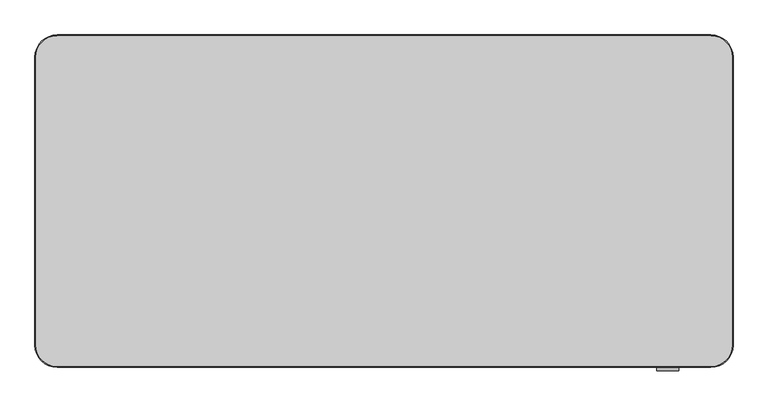
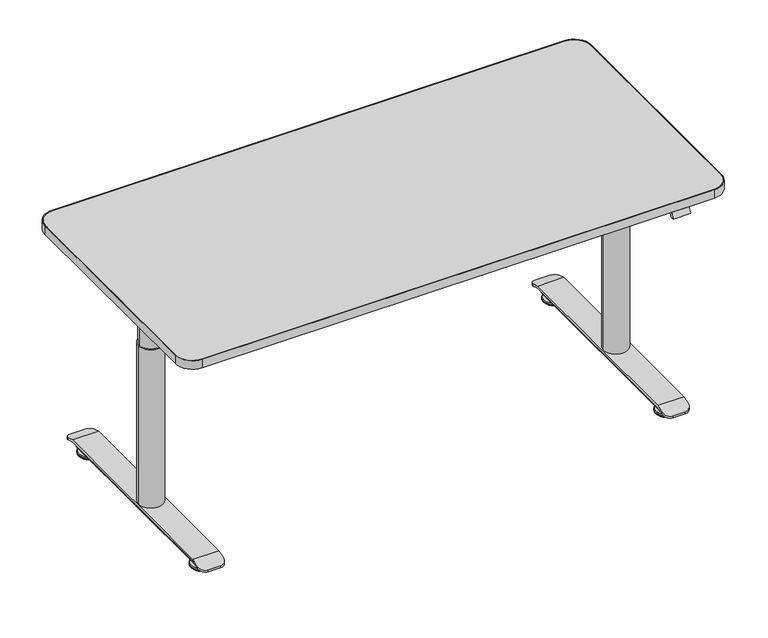
"""IFC4 building model written with IfcOpenShell, lengths in millimetres: furniture geometry."""

from ifc_helpers import new_model, si_unit, point, frame, frame_2d, origin, place, context, project, spatial, polyline, circle_curve, ellipse_curve, trimmed, segment, composite_curve, outline, extrude, source, transform, mapped, element, save
from ifc_brep_helpers import plane_surface, cylinder_surface, revolved_surface, advanced_brep


def furniture_87ef9b9a(model_context):
    return source(origin(), model_context, "Body", "SolidModel", [
        extrude(outline(composite_curve([segment(polyline([(62.5, -50.0), (1537.5, -50.0)]), True, "CONTINUOUS"), segment(trimmed(circle_curve(frame_2d((1537.5, -100.0)), 50.0), [point((1537.5, -50.0))], [point((1587.5, -100.0))], False, "CARTESIAN"), True, "CONTINUOUS"), segment(polyline([(1587.5, -100.0), (1587.5, -750.0)]), True, "CONTINUOUS"), segment(trimmed(circle_curve(frame_2d((1537.5, -750.0)), 50.0), [point((1587.5, -750.0))], [point((1537.5, -800.0))], False, "CARTESIAN"), True, "CONTINUOUS"), segment(polyline([(1537.5, -800.0), (62.5, -800.0)]), True, "CONTINUOUS"), segment(trimmed(circle_curve(frame_2d((62.5, -750.0)), 50.0), [point((62.5, -800.0))], [point((12.5, -750.0))], False, "CARTESIAN"), True, "CONTINUOUS"), segment(polyline([(12.5, -750.0), (12.5, -100.0)]), True, "CONTINUOUS"), segment(trimmed(circle_curve(frame_2d((62.5, -100.0)), 50.0), [point((12.5, -100.0))], [point((62.5, -50.0))], False, "CARTESIAN"), True, "CONTINUOUS")], self_intersect=False), holes=[composite_curve([segment(trimmed(circle_curve(frame_2d((62.5, -100.0)), 48.0), [point((62.5, -52.0))], [point((14.5, -100.0))], True, "CARTESIAN"), True, "CONTINUOUS"), segment(polyline([(14.5, -100.0), (14.5, -750.0)]), True, "CONTINUOUS"), segment(trimmed(circle_curve(frame_2d((62.5, -750.0)), 48.0), [point((14.5, -750.0))], [point((62.5, -798.0))], True, "CARTESIAN"), True, "CONTINUOUS"), segment(polyline([(62.5, -798.0), (1537.5, -798.0)]), True, "CONTINUOUS"), segment(trimmed(circle_curve(frame_2d((1537.5, -750.0)), 48.0), [point((1537.5, -798.0))], [point((1585.5, -750.0))], True, "CARTESIAN"), True, "CONTINUOUS"), segment(polyline([(1585.5, -750.0), (1585.5, -100.0)]), True, "CONTINUOUS"), segment(trimmed(circle_curve(frame_2d((1537.5, -100.0)), 48.0), [point((1585.5, -100.0))], [point((1537.5, -52.0))], True, "CARTESIAN"), True, "CONTINUOUS"), segment(polyline([(1537.5, -52.0), (62.5, -52.0)]), True, "CONTINUOUS")], self_intersect=False)]), frame((0.0, 0.0, 695.0), z_axis=(0.0, 0.0, 1.0), x_axis=(1.0, 0.0, 0.0)), (0.0, 0.0, 1.0), 25.5),
        extrude(outline(composite_curve([segment(polyline([(62.5, -52.0), (1537.5, -52.0)]), True, "CONTINUOUS"), segment(trimmed(circle_curve(frame_2d((1537.5, -100.0)), 48.0), [point((1537.5, -52.0))], [point((1585.5, -100.0))], False, "CARTESIAN"), True, "CONTINUOUS"), segment(polyline([(1585.5, -100.0), (1585.5, -750.0)]), True, "CONTINUOUS"), segment(trimmed(circle_curve(frame_2d((1537.5, -750.0)), 48.0), [point((1585.5, -750.0))], [point((1537.5, -798.0))], False, "CARTESIAN"), True, "CONTINUOUS"), segment(polyline([(1537.5, -798.0), (62.5, -798.0)]), True, "CONTINUOUS"), segment(trimmed(circle_curve(frame_2d((62.5, -750.0)), 48.0), [point((62.5, -798.0))], [point((14.5, -750.0))], False, "CARTESIAN"), True, "CONTINUOUS"), segment(polyline([(14.5, -750.0), (14.5, -100.0)]), True, "CONTINUOUS"), segment(trimmed(circle_curve(frame_2d((62.5, -100.0)), 48.0), [point((14.5, -100.0))], [point((62.5, -52.0))], False, "CARTESIAN"), True, "CONTINUOUS")], self_intersect=False)), frame((0.0, 0.0, 695.0), z_axis=(0.0, 0.0, 1.0), x_axis=(1.0, 0.0, 0.0)), (0.0, 0.0, 1.0), 25.0),
        extrude(outline(composite_curve([segment(trimmed(circle_curve(frame_2d((130.0, -425.0)), 28.0), [point((102.0, -425.0))], [point((158.0, -425.0))], False, "CARTESIAN"), True, "CONTINUOUS"), segment(trimmed(circle_curve(frame_2d((130.0, -425.0)), 28.0), [point((158.0, -425.0))], [point((102.0, -425.0))], False, "CARTESIAN"), True, "CONTINUOUS")], self_intersect=False)), frame((0.0, 0.0, 580.0), z_axis=(0.0, 0.0, 1.0), x_axis=(1.0, 0.0, 0.0)), (0.0, 0.0, 1.0), 57.0),
        extrude(outline(composite_curve([segment(trimmed(circle_curve(frame_2d((1470.0, -425.0)), 28.0), [point((1442.0, -425.0))], [point((1498.0, -425.0))], False, "CARTESIAN"), True, "CONTINUOUS"), segment(trimmed(circle_curve(frame_2d((1470.0, -425.0)), 28.0), [point((1498.0, -425.0))], [point((1442.0, -425.0))], False, "CARTESIAN"), True, "CONTINUOUS")], self_intersect=False)), frame((0.0, 0.0, 580.0), z_axis=(0.0, 0.0, 1.0), x_axis=(1.0, 0.0, 0.0)), (0.0, 0.0, 1.0), 57.0),
        extrude(outline(composite_curve([segment(trimmed(circle_curve(frame_2d((130.0, -425.0)), 32.0), [point((98.0, -425.0))], [point((162.0, -425.0))], False, "CARTESIAN"), True, "CONTINUOUS"), segment(trimmed(circle_curve(frame_2d((130.0, -425.0)), 32.0), [point((162.0, -425.0))], [point((98.0, -425.0))], False, "CARTESIAN"), True, "CONTINUOUS")], self_intersect=False)), frame((0.0, 0.0, 523.0), z_axis=(0.0, 0.0, 1.0), x_axis=(1.0, 0.0, 0.0)), (0.0, 0.0, 1.0), 57.0),
        extrude(outline(composite_curve([segment(trimmed(circle_curve(frame_2d((1470.0, -425.0)), 32.0), [point((1438.0, -425.0))], [point((1502.0, -425.0))], False, "CARTESIAN"), True, "CONTINUOUS"), segment(trimmed(circle_curve(frame_2d((1470.0, -425.0)), 32.0), [point((1502.0, -425.0))], [point((1438.0, -425.0))], False, "CARTESIAN"), True, "CONTINUOUS")], self_intersect=False)), frame((0.0, 0.0, 523.0), z_axis=(0.0, 0.0, 1.0), x_axis=(1.0, 0.0, 0.0)), (0.0, 0.0, 1.0), 57.0),
        extrude(outline(polyline([(-800.0, 695.0), (-782.0, 695.0), (-782.0, 689.0), (-794.0557281, 689.0), (-799.0557281, 679.0), (-808.0, 679.0), (-800.0, 695.0)])), frame((1415.0, 0.0, 0.0), z_axis=(1.0, 0.0, 0.0), x_axis=(0.0, 1.0, 0.0)), (0.0, 0.0, 1.0), 50.0),
        advanced_brep(
        [(167.5, -100.3774673, 39.9487289), (92.5, -100.3774673, 39.9487289), (92.5, -699.6225327, 39.9487289), (167.5, -699.6225327, 39.9487289), (92.5, -722.0, 32.7380106), (112.5, -742.0, 26.2933865), (147.5, -742.0, 26.2933865), (167.5, -722.0, 32.7380106), (92.5, -698.6796418, 33.9487272), (167.5, -698.6796418, 33.9487272), (167.5, -722.0, 26.4341856), (147.5, -742.0, 19.9895661), (112.5, -742.0, 19.9895661), (92.5, -722.0, 26.4341856), (92.5, -101.3203582, 33.9487272), (167.5, -101.3203582, 33.9487272), (92.5, -78.0, 26.4341856), (112.5, -58.0, 19.9895661), (147.5, -58.0, 19.9895661), (167.5, -78.0, 26.4341856), (167.5, -78.0, 32.7380106), (147.5, -58.0, 26.2933865), (112.5, -58.0, 26.2933865), (92.5, -78.0, 32.7380106)],
        [
            (0, 1),
            (1, 2),
            (2, 3),
            (3, 0),
            (2, 4),
            (4, 5, ellipse_curve(frame((112.5, -722.0, 32.7380106), z_axis=(0.0, -0.30670151340294566, 0.9518057478689351), x_axis=(0.0, -0.9518057478689352, -0.30670151340294527)), 21.0126909, 20.0)),
            (5, 6),
            (6, 7, ellipse_curve(frame((147.5, -722.0, 32.7380106), z_axis=(0.0, -0.30670151340294566, 0.9518057478689351), x_axis=(0.0, -0.9518057478689352, -0.30670151340294527)), 21.0126909, 20.0)),
            (7, 3),
            (8, 9),
            (9, 10),
            (10, 11, ellipse_curve(frame((147.5, -722.0, 26.4341856), z_axis=(0.0, 0.30670131168672654, -0.9518058128681719), x_axis=(0.0, -0.951805812868172, -0.3067013116867264)), 21.0126895, 20.0)),
            (11, 12),
            (12, 13, ellipse_curve(frame((112.5, -722.0, 26.4341856), z_axis=(0.0, 0.30670131168672654, -0.9518058128681719), x_axis=(0.0, -0.951805812868172, -0.3067013116867264)), 21.0126895, 20.0)),
            (13, 8),
            (8, 14),
            (14, 15),
            (15, 9),
            (14, 16),
            (16, 17, ellipse_curve(frame((112.5, -78.0, 26.4341856), z_axis=(0.0, -0.30670131168675874, -0.9518058128681615), x_axis=(0.0, 0.9518058128681616, -0.30670131168675896)), 21.0126895, 20.0)),
            (17, 18),
            (18, 19, ellipse_curve(frame((147.5, -78.0, 26.4341856), z_axis=(0.0, -0.30670131168675874, -0.9518058128681615), x_axis=(0.0, 0.9518058128681616, -0.30670131168675896)), 21.0126895, 20.0)),
            (19, 15),
            (0, 20),
            (20, 21, ellipse_curve(frame((147.5, -78.0, 32.7380106), z_axis=(0.0, 0.3067015134029424, 0.9518057478689361), x_axis=(0.0, 0.951805747868936, -0.3067015134029423)), 21.0126909, 20.0)),
            (21, 22),
            (22, 23, ellipse_curve(frame((112.5, -78.0, 32.7380106), z_axis=(0.0, 0.3067015134029424, 0.9518057478689361), x_axis=(0.0, 0.951805747868936, -0.3067015134029423)), 21.0126909, 20.0)),
            (23, 1),
            (19, 20),
            (7, 10),
            (11, 6),
            (5, 12),
            (13, 4),
            (23, 16),
            (17, 22),
            (21, 18),
        ],
        [
            plane_surface(frame((1600.0, -100.3774673, 39.9487289), z_axis=(0.0, 0.0, 1.0), x_axis=(-1.0, 0.0, 0.0))),
            plane_surface(frame((1600.0, -699.6225327, 39.9487289), z_axis=(0.0, -0.30670151340294566, 0.9518057478689351), x_axis=(-1.0, 0.0, 0.0))),
            plane_surface(frame((1600.0, -800.0, 1.3001698), z_axis=(0.0, 0.30670131168672654, -0.9518058128681719), x_axis=(-1.0, 0.0, 0.0))),
            plane_surface(frame((1600.0, -698.6796418, 33.9487272), z_axis=(0.0, 0.0, -1.0), x_axis=(-1.0, 0.0, 0.0))),
            plane_surface(frame((1600.0, -101.3203582, 33.9487272), z_axis=(0.0, -0.30670131168675874, -0.9518058128681615), x_axis=(-1.0, 0.0, 0.0))),
            plane_surface(frame((1600.0, 0.0, 7.6039766), z_axis=(0.0, 0.3067015134029424, 0.9518057478689361), x_axis=(-1.0, 0.0, 0.0))),
            plane_surface(frame((167.5, -78.0, 90.0), z_axis=(1.0, 0.0, 0.0), x_axis=(0.0, 0.0, -1.0))),
            plane_surface(frame((147.5, -742.0, 90.0), z_axis=(0.0, -1.0, 0.0), x_axis=(0.0, 0.0, -1.0))),
            plane_surface(frame((92.5, -722.0, 90.0), z_axis=(-1.0, 0.0, 0.0), x_axis=(0.0, 0.0, -1.0))),
            plane_surface(frame((112.5, -58.0, 90.0), z_axis=(0.0, 1.0, 0.0), x_axis=(0.0, 0.0, -1.0))),
            cylinder_surface(frame((147.5, -78.0, 0.0), z_axis=(0.0, 0.0, -1.0), x_axis=(1.0, 0.0, 0.0)), 20.0),
            cylinder_surface(frame((147.5, -722.0, 0.0), z_axis=(0.0, 0.0, -1.0), x_axis=(1.0, 0.0, 0.0)), 20.0),
            cylinder_surface(frame((112.5, -722.0, 0.0), z_axis=(0.0, 0.0, -1.0), x_axis=(1.0, 0.0, 0.0)), 20.0),
            cylinder_surface(frame((112.5, -78.0, 0.0), z_axis=(0.0, 0.0, -1.0), x_axis=(1.0, 0.0, 0.0)), 20.0),
        ],
        [
            (0, [[1, 2, 3, 4]]),
            (1, [[-3, 5, 6, 7, 8, 9]]),
            (2, [[10, 11, 12, 13, 14, 15]]),
            (3, [[-10, 16, 17, 18]]),
            (4, [[-17, 19, 20, 21, 22, 23]]),
            (5, [[-1, 24, 25, 26, 27, 28]]),
            (6, [[29, -24, -4, -9, 30, -11, -18, -23]]),
            (7, [[31, -7, 32, -13]]),
            (8, [[33, -5, -2, -28, 34, -19, -16, -15]]),
            (9, [[35, -26, 36, -21]]),
            (10, [[-29, -22, -36, -25]]),
            (11, [[-31, -12, -30, -8]]),
            (12, [[-33, -14, -32, -6]]),
            (13, [[-35, -20, -34, -27]]),
        ],
    ),
        advanced_brep(
        [(1507.5, -100.3774673, 39.9487289), (1432.5, -100.3774673, 39.9487289), (1432.5, -699.6225327, 39.9487289), (1507.5, -699.6225327, 39.9487289), (1432.5, -722.0, 32.7380106), (1452.5, -742.0, 26.2933865), (1487.5, -742.0, 26.2933865), (1507.5, -722.0, 32.7380106), (1432.5, -698.6796418, 33.9487272), (1507.5, -698.6796418, 33.9487272), (1507.5, -722.0, 26.4341856), (1487.5, -742.0, 19.9895661), (1452.5, -742.0, 19.9895661), (1432.5, -722.0, 26.4341856), (1432.5, -101.3203582, 33.9487272), (1507.5, -101.3203582, 33.9487272), (1432.5, -78.0, 26.4341856), (1452.5, -58.0, 19.9895661), (1487.5, -58.0, 19.9895661), (1507.5, -78.0, 26.4341856), (1507.5, -78.0, 32.7380106), (1487.5, -58.0, 26.2933865), (1452.5, -58.0, 26.2933865), (1432.5, -78.0, 32.7380106)],
        [
            (0, 1),
            (1, 2),
            (2, 3),
            (3, 0),
            (2, 4),
            (4, 5, ellipse_curve(frame((1452.5, -722.0, 32.7380106), z_axis=(0.0, -0.30670151340294566, 0.9518057478689351), x_axis=(0.0, -0.9518057478689352, -0.30670151340294527)), 21.0126909, 20.0)),
            (5, 6),
            (6, 7, ellipse_curve(frame((1487.5, -722.0, 32.7380106), z_axis=(0.0, -0.30670151340294566, 0.9518057478689351), x_axis=(0.0, -0.9518057478689352, -0.30670151340294527)), 21.0126909, 20.0)),
            (7, 3),
            (8, 9),
            (9, 10),
            (10, 11, ellipse_curve(frame((1487.5, -722.0, 26.4341856), z_axis=(0.0, 0.30670131168672654, -0.9518058128681719), x_axis=(0.0, -0.951805812868172, -0.3067013116867264)), 21.0126895, 20.0)),
            (11, 12),
            (12, 13, ellipse_curve(frame((1452.5, -722.0, 26.4341856), z_axis=(0.0, 0.30670131168672654, -0.9518058128681719), x_axis=(0.0, -0.951805812868172, -0.3067013116867264)), 21.0126895, 20.0)),
            (13, 8),
            (8, 14),
            (14, 15),
            (15, 9),
            (14, 16),
            (16, 17, ellipse_curve(frame((1452.5, -78.0, 26.4341856), z_axis=(0.0, -0.30670131168675874, -0.9518058128681615), x_axis=(0.0, 0.9518058128681616, -0.30670131168675896)), 21.0126895, 20.0)),
            (17, 18),
            (18, 19, ellipse_curve(frame((1487.5, -78.0, 26.4341856), z_axis=(0.0, -0.30670131168675874, -0.9518058128681615), x_axis=(0.0, 0.9518058128681616, -0.30670131168675896)), 21.0126895, 20.0)),
            (19, 15),
            (0, 20),
            (20, 21, ellipse_curve(frame((1487.5, -78.0, 32.7380106), z_axis=(0.0, 0.3067015134029424, 0.9518057478689361), x_axis=(0.0, 0.951805747868936, -0.3067015134029423)), 21.0126909, 20.0)),
            (21, 22),
            (22, 23, ellipse_curve(frame((1452.5, -78.0, 32.7380106), z_axis=(0.0, 0.3067015134029424, 0.9518057478689361), x_axis=(0.0, 0.951805747868936, -0.3067015134029423)), 21.0126909, 20.0)),
            (23, 1),
            (17, 22),
            (21, 18),
            (20, 19),
            (7, 10),
            (6, 11),
            (5, 12),
            (4, 13),
            (23, 16),
        ],
        [
            plane_surface(frame((1600.0, -100.3774673, 39.9487289), z_axis=(0.0, 0.0, 1.0), x_axis=(-1.0, 0.0, 0.0))),
            plane_surface(frame((1600.0, -699.6225327, 39.9487289), z_axis=(0.0, -0.30670151340294566, 0.9518057478689351), x_axis=(-1.0, 0.0, 0.0))),
            plane_surface(frame((1600.0, -800.0, 1.3001698), z_axis=(0.0, 0.30670131168672654, -0.9518058128681719), x_axis=(-1.0, 0.0, 0.0))),
            plane_surface(frame((1600.0, -698.6796418, 33.9487272), z_axis=(0.0, 0.0, -1.0), x_axis=(-1.0, 0.0, 0.0))),
            plane_surface(frame((1600.0, -101.3203582, 33.9487272), z_axis=(0.0, -0.30670131168675874, -0.9518058128681615), x_axis=(-1.0, 0.0, 0.0))),
            plane_surface(frame((1600.0, 0.0, 7.6039766), z_axis=(0.0, 0.3067015134029424, 0.9518057478689361), x_axis=(-1.0, 0.0, 0.0))),
            plane_surface(frame((1452.5, -58.0, 90.0), z_axis=(3.7692477710443155e-12, 1.0, 0.0), x_axis=(0.0, 0.0, -1.0))),
            cylinder_surface(frame((1487.5, -78.0, 0.0), z_axis=(0.0, 0.0, -1.0), x_axis=(1.0, 0.0, 0.0)), 20.0),
            plane_surface(frame((1507.5, -78.0, 90.0), z_axis=(1.0, 0.0, 0.0), x_axis=(0.0, 0.0, -1.0))),
            cylinder_surface(frame((1487.5, -722.0, 0.0), z_axis=(0.0, 0.0, -1.0), x_axis=(1.0, 0.0, 0.0)), 20.0),
            plane_surface(frame((1487.5, -742.0, 90.0), z_axis=(2.784515475338582e-12, -1.0, 0.0), x_axis=(0.0, 0.0, -1.0))),
            cylinder_surface(frame((1452.5, -722.0, 0.0), z_axis=(0.0, 0.0, -1.0), x_axis=(1.0, 0.0, 0.0)), 20.0),
            plane_surface(frame((1432.5, -722.0, 90.0), z_axis=(-1.0, 0.0, 0.0), x_axis=(0.0, 0.0, -1.0))),
            cylinder_surface(frame((1452.5, -78.0, 0.0), z_axis=(0.0, 0.0, -1.0), x_axis=(1.0, 0.0, 0.0)), 20.0),
        ],
        [
            (0, [[1, 2, 3, 4]]),
            (1, [[-3, 5, 6, 7, 8, 9]]),
            (2, [[10, 11, 12, 13, 14, 15]]),
            (3, [[-10, 16, 17, 18]]),
            (4, [[-17, 19, 20, 21, 22, 23]]),
            (5, [[-1, 24, 25, 26, 27, 28]]),
            (6, [[29, -26, 30, -21]]),
            (7, [[-30, -25, 31, -22]]),
            (8, [[-31, -24, -4, -9, 32, -11, -18, -23]]),
            (9, [[-32, -8, 33, -12]]),
            (10, [[-33, -7, 34, -13]]),
            (11, [[-34, -6, 35, -14]]),
            (12, [[-35, -5, -2, -28, 36, -19, -16, -15]]),
            (13, [[-29, -20, -36, -27]]),
        ],
    ),
        extrude(outline(composite_curve([segment(trimmed(circle_curve(frame_2d((130.0, -425.0)), 35.0), [point((95.0, -425.0))], [point((165.0, -425.0))], False, "CARTESIAN"), True, "CONTINUOUS"), segment(trimmed(circle_curve(frame_2d((130.0, -425.0)), 35.0), [point((165.0, -425.0))], [point((95.0, -425.0))], False, "CARTESIAN"), True, "CONTINUOUS")], self_intersect=False)), frame((0.0, 0.0, 39.9487289), z_axis=(0.0, 0.0, 1.0), x_axis=(1.0, 0.0, 0.0)), (0.0, 0.0, 1.0), 483.0512711),
        extrude(outline(composite_curve([segment(trimmed(circle_curve(frame_2d((1470.0, -425.0)), 35.0), [point((1435.0, -425.0))], [point((1505.0, -425.0))], False, "CARTESIAN"), True, "CONTINUOUS"), segment(trimmed(circle_curve(frame_2d((1470.0, -425.0)), 35.0), [point((1505.0, -425.0))], [point((1435.0, -425.0))], False, "CARTESIAN"), True, "CONTINUOUS")], self_intersect=False)), frame((0.0, 0.0, 39.9487289), z_axis=(0.0, 0.0, 1.0), x_axis=(1.0, 0.0, 0.0)), (0.0, 0.0, 1.0), 483.0512711),
        advanced_brep(
        [(106.0, -694.9970669, 15.948729), (154.0, -694.9970669, 15.948729), (160.0, -694.9970669, 21.948729), (160.0, -694.9970669, 33.9487272), (100.0, -694.9970669, 33.9487272), (100.0, -694.9970669, 21.948729), (106.0, -105.0, 15.948729), (100.0, -105.0, 21.948729), (100.0, -105.0, 33.9487272), (160.0, -105.0, 33.9487272), (160.0, -105.0, 21.948729), (154.0, -105.0, 15.948729), (160.0, -395.0019514, 21.948729), (159.6568536, -395.0019514, 19.9487272), (159.6568536, -454.9980486, 19.9487272), (160.0, -454.9980486, 21.948729), (160.0, -454.9980486, 33.9487272), (160.0, -395.0019514, 33.9487272), (100.0, -454.9980486, 33.9487272), (100.0, -395.0019514, 33.9487272), (100.0, -454.9980486, 21.948729), (100.0, -395.0019514, 21.948729), (100.3431464, -454.9980486, 19.9487272), (100.3431464, -395.0019514, 19.9487272)],
        [
            (0, 1),
            (1, 2, circle_curve(frame((154.0, -694.9970669, 21.948729), z_axis=(0.0, -1.0, 0.0), x_axis=(1.0, 0.0, 0.0)), 6.0)),
            (2, 3),
            (3, 4),
            (4, 5),
            (5, 0, circle_curve(frame((106.0, -694.9970669, 21.948729), z_axis=(0.0, -1.0, 0.0), x_axis=(1.0, 0.0, 0.0)), 6.0)),
            (6, 7, circle_curve(frame((106.0, -105.0, 21.948729), z_axis=(0.0, 1.0, 0.0), x_axis=(1.0, 0.0, 0.0)), 6.0)),
            (7, 8),
            (8, 9),
            (9, 10),
            (10, 11, circle_curve(frame((154.0, -105.0, 21.948729), z_axis=(0.0, 1.0, 0.0), x_axis=(1.0, 0.0, 0.0)), 6.0)),
            (11, 6),
            (0, 6),
            (11, 1),
            (10, 12),
            (12, 13, circle_curve(frame((154.0, -395.0019514, 21.948729), z_axis=(0.0, 1.0, 0.0), x_axis=(1.0, 0.0, 0.0)), 6.0)),
            (13, 14),
            (14, 15, circle_curve(frame((154.0, -454.9980486, 21.948729), z_axis=(0.0, -1.0, 0.0), x_axis=(1.0, 0.0, 0.0)), 6.0)),
            (15, 2),
            (15, 16),
            (16, 3),
            (9, 17),
            (17, 12),
            (16, 18),
            (18, 4),
            (8, 19),
            (19, 17),
            (18, 20),
            (20, 5),
            (7, 21),
            (21, 19),
            (20, 22, circle_curve(frame((106.0, -454.9980486, 21.948729), z_axis=(0.0, -1.0, 0.0), x_axis=(1.0, 0.0, 0.0)), 6.0)),
            (22, 23),
            (23, 21, circle_curve(frame((106.0, -395.0019514, 21.948729), z_axis=(0.0, 1.0, 0.0), x_axis=(1.0, 0.0, 0.0)), 6.0)),
            (14, 22),
            (13, 23),
        ],
        [
            plane_surface(frame((154.0244057, -694.9970669, 15.948729), z_axis=(0.0, -1.0, 0.0), x_axis=(1.0, 0.0, 0.0))),
            plane_surface(frame((154.0244057, -105.0, 15.948729), z_axis=(0.0, 1.0, 0.0), x_axis=(-1.0, 0.0, 0.0))),
            plane_surface(frame((106.0, -694.9970669, 15.948729), z_axis=(0.0, 0.0, -1.0), x_axis=(0.0, 1.0, 0.0))),
            cylinder_surface(frame((154.0, -105.0, 21.948729), z_axis=(0.0, -1.0, 0.0), x_axis=(1.0, 0.0, 0.0)), 6.0),
            plane_surface(frame((160.0, -694.9970669, 21.948729), z_axis=(1.0, 0.0, 0.0), x_axis=(0.0, 1.0, 0.0))),
            plane_surface(frame((160.0, -694.9970669, 33.9487272), z_axis=(0.0, 0.0, 1.0), x_axis=(0.0, 1.0, 0.0))),
            plane_surface(frame((100.0, -694.9970669, 33.9487272), z_axis=(-1.0, 0.0, 0.0), x_axis=(0.0, 1.0, 0.0))),
            cylinder_surface(frame((106.0, -105.0, 21.948729), z_axis=(0.0, -1.0, 0.0), x_axis=(1.0, 0.0, 0.0)), 6.0),
            plane_surface(frame((1600.0, -454.9980486, 33.9487272), z_axis=(0.0, 1.0, 0.0), x_axis=(-1.0, 0.0, 0.0))),
            plane_surface(frame((1600.0, -454.9980486, 19.9487272), z_axis=(0.0, 0.0, 1.0), x_axis=(-1.0, 0.0, 0.0))),
            plane_surface(frame((1600.0, -395.0019514, 19.9487272), z_axis=(0.0, -1.0, 0.0), x_axis=(-1.0, 0.0, 0.0))),
        ],
        [
            (0, [[1, 2, 3, 4, 5, 6]]),
            (1, [[7, 8, 9, 10, 11, 12]]),
            (2, [[-1, 13, -12, 14]]),
            (3, [[-2, -14, -11, 15, 16, 17, 18, 19]]),
            (4, [[-3, -19, 20, 21]]),
            (4, [[-10, 22, 23, -15]]),
            (5, [[-4, -21, 24, 25]]),
            (5, [[-9, 26, 27, -22]]),
            (6, [[-5, -25, 28, 29]]),
            (6, [[-8, 30, 31, -26]]),
            (7, [[-6, -29, 32, 33, 34, -30, -7, -13]]),
            (8, [[35, -32, -28, -24, -20, -18]]),
            (9, [[-35, -17, 36, -33]]),
            (10, [[-36, -16, -23, -27, -31, -34]]),
        ],
    ),
        advanced_brep(
        [(1494.0, -694.9970669, 15.948729), (1500.0, -694.9970669, 21.948729), (1500.0, -694.9970669, 33.9487272), (1440.0, -694.9970669, 33.9487272), (1440.0, -694.9970669, 21.948729), (1446.0, -694.9970669, 15.948729), (1494.0, -105.0, 15.948729), (1446.0, -105.0, 15.948729), (1440.0, -105.0, 21.948729), (1440.0, -105.0, 33.9487272), (1500.0, -105.0, 33.9487272), (1500.0, -105.0, 21.948729), (1500.0, -395.0019514, 21.948729), (1499.6568536, -395.0019514, 19.9487272), (1499.6568536, -454.9980486, 19.9487272), (1500.0, -454.9980486, 21.948729), (1500.0, -454.9980486, 33.9487272), (1500.0, -395.0019514, 33.9487272), (1440.0, -454.9980486, 33.9487272), (1440.0, -395.0019514, 33.9487272), (1440.0, -454.9980486, 21.948729), (1440.0, -395.0019514, 21.948729), (1440.3431464, -454.9980486, 19.9487272), (1440.3431464, -395.0019514, 19.9487272)],
        [
            (0, 1, circle_curve(frame((1494.0, -694.9970669, 21.948729), z_axis=(0.0, -1.0, 0.0), x_axis=(1.0, 0.0, 0.0)), 6.0)),
            (1, 2),
            (2, 3),
            (3, 4),
            (4, 5, circle_curve(frame((1446.0, -694.9970669, 21.948729), z_axis=(0.0, -1.0, 0.0), x_axis=(1.0, 0.0, 0.0)), 6.0)),
            (5, 0),
            (6, 7),
            (7, 8, circle_curve(frame((1446.0, -105.0, 21.948729), z_axis=(0.0, 1.0, 0.0), x_axis=(1.0, 0.0, 0.0)), 6.0)),
            (8, 9),
            (9, 10),
            (10, 11),
            (11, 6, circle_curve(frame((1494.0, -105.0, 21.948729), z_axis=(0.0, 1.0, 0.0), x_axis=(1.0, 0.0, 0.0)), 6.0)),
            (0, 6),
            (11, 12),
            (12, 13, circle_curve(frame((1494.0, -395.0019514, 21.948729), z_axis=(0.0, 1.0, 0.0), x_axis=(1.0, 0.0, 0.0)), 6.0)),
            (13, 14),
            (14, 15, circle_curve(frame((1494.0, -454.9980486, 21.948729), z_axis=(0.0, -1.0, 0.0), x_axis=(1.0, 0.0, 0.0)), 6.0)),
            (15, 1),
            (15, 16),
            (16, 2),
            (10, 17),
            (17, 12),
            (16, 18),
            (18, 3),
            (9, 19),
            (19, 17),
            (18, 20),
            (20, 4),
            (8, 21),
            (21, 19),
            (20, 22, circle_curve(frame((1446.0, -454.9980486, 21.948729), z_axis=(0.0, -1.0, 0.0), x_axis=(1.0, 0.0, 0.0)), 6.0)),
            (22, 23),
            (23, 21, circle_curve(frame((1446.0, -395.0019514, 21.948729), z_axis=(0.0, 1.0, 0.0), x_axis=(1.0, 0.0, 0.0)), 6.0)),
            (7, 5),
            (14, 22),
            (13, 23),
        ],
        [
            plane_surface(frame((154.0244057, -694.9970669, 15.948729), z_axis=(0.0, -1.0, 0.0), x_axis=(1.0, 0.0, 0.0))),
            plane_surface(frame((154.0244057, -105.0, 15.948729), z_axis=(0.0, 1.0, 0.0), x_axis=(-1.0, 0.0, 0.0))),
            cylinder_surface(frame((1494.0, 0.0, 21.948729), z_axis=(0.0, -1.0, 0.0), x_axis=(1.0, 0.0, 0.0)), 6.0),
            plane_surface(frame((1500.0, -694.9970669, 21.948729), z_axis=(1.0, 0.0, 0.0), x_axis=(0.0, 1.0, 0.0))),
            plane_surface(frame((1500.0, -694.9970669, 33.9487272), z_axis=(0.0, 0.0, 1.0), x_axis=(0.0, 1.0, 0.0))),
            plane_surface(frame((1440.0, -694.9970669, 33.9487272), z_axis=(-1.0, 0.0, 0.0), x_axis=(0.0, 1.0, 0.0))),
            cylinder_surface(frame((1446.0, 0.0, 21.948729), z_axis=(0.0, -1.0, 0.0), x_axis=(1.0, 0.0, 0.0)), 6.0),
            plane_surface(frame((1446.0, -694.9970669, 15.948729), z_axis=(0.0, 0.0, -1.0), x_axis=(0.0, 1.0, 0.0))),
            plane_surface(frame((1600.0, -454.9980486, 33.9487272), z_axis=(0.0, 1.0, 0.0), x_axis=(-1.0, 0.0, 0.0))),
            plane_surface(frame((1600.0, -454.9980486, 19.9487272), z_axis=(0.0, 0.0, 1.0), x_axis=(-1.0, 0.0, 0.0))),
            plane_surface(frame((1600.0, -395.0019514, 19.9487272), z_axis=(0.0, -1.0, 0.0), x_axis=(-1.0, 0.0, 0.0))),
        ],
        [
            (0, [[1, 2, 3, 4, 5, 6]]),
            (1, [[7, 8, 9, 10, 11, 12]]),
            (2, [[-1, 13, -12, 14, 15, 16, 17, 18]]),
            (3, [[-2, -18, 19, 20]]),
            (3, [[-11, 21, 22, -14]]),
            (4, [[-3, -20, 23, 24]]),
            (4, [[-10, 25, 26, -21]]),
            (5, [[-4, -24, 27, 28]]),
            (5, [[-9, 29, 30, -25]]),
            (6, [[-5, -28, 31, 32, 33, -29, -8, 34]]),
            (7, [[-6, -34, -7, -13]]),
            (8, [[35, -31, -27, -23, -19, -17]]),
            (9, [[-35, -16, 36, -32]]),
            (10, [[-36, -15, -22, -26, -30, -33]]),
        ],
    ),
        advanced_brep(
        [(1470.0, -127.5107401, 16.0), (1470.0, -112.4892599, 16.0), (1470.0, -120.0, 16.0), (1470.0, -127.5107401, 11.0079394), (1470.0, -112.4892599, 11.0079394), (1470.0, -129.3364286, 9.01555), (1470.0, -110.6635714, 9.01555), (1470.0, -150.1850516, 7.1915319), (1470.0, -89.8149484, 7.1915319), (1470.0, -152.0107401, 5.1991425), (1470.0, -87.9892599, 5.1991425), (1470.0, -152.0107401, 2.0), (1470.0, -87.9892599, 2.0), (1470.0, -150.0107401, 0.0), (1470.0, -89.9892599, 0.0), (1470.0, -120.0, 0.0)],
        [
            (0, 1, circle_curve(frame((1470.0, -120.0, 16.0), z_axis=(0.0, 0.0, 1.0), x_axis=(0.0, 1.0, 0.0)), 7.5107401)),
            (1, 2),
            (2, 0),
            (1, 0, circle_curve(frame((1470.0, -120.0, 16.0), z_axis=(0.0, 0.0, 1.0), x_axis=(0.0, 1.0, 0.0)), 7.5107401)),
            (3, 4, circle_curve(frame((1470.0, -120.0, 11.0079394), z_axis=(0.0, 0.0, 1.0), x_axis=(0.0, 1.0, 0.0)), 7.5107401)),
            (4, 1),
            (0, 3),
            (4, 3, circle_curve(frame((1470.0, -120.0, 11.0079394), z_axis=(0.0, 0.0, 1.0), x_axis=(0.0, 1.0, 0.0)), 7.5107401)),
            (5, 6, circle_curve(frame((1470.0, -120.0, 9.01555), z_axis=(0.0, 0.0, 1.0), x_axis=(0.0, 1.0, 0.0)), 9.3364286)),
            (6, 4, circle_curve(frame((1470.0, -110.4892599, 11.0079394), z_axis=(-1.0, 0.0, 0.0), x_axis=(0.0, 0.0, 1.0)), 2.0)),
            (3, 5, circle_curve(frame((1470.0, -129.5107401, 11.0079394), z_axis=(-1.0, 0.0, 0.0), x_axis=(0.0, 0.0, 1.0)), 2.0)),
            (6, 5, circle_curve(frame((1470.0, -120.0, 9.01555), z_axis=(0.0, 0.0, 1.0), x_axis=(0.0, 1.0, 0.0)), 9.3364286)),
            (7, 8, circle_curve(frame((1470.0, -120.0, 7.1915319), z_axis=(0.0, 0.0, 1.0), x_axis=(0.0, 1.0, 0.0)), 30.1850516)),
            (8, 6),
            (5, 7),
            (8, 7, circle_curve(frame((1470.0, -120.0, 7.1915319), z_axis=(0.0, 0.0, 1.0), x_axis=(0.0, 1.0, 0.0)), 30.1850516)),
            (9, 10, circle_curve(frame((1470.0, -120.0, 5.1991425), z_axis=(0.0, 0.0, 1.0), x_axis=(0.0, 1.0, 0.0)), 32.0107401)),
            (10, 8, circle_curve(frame((1470.0, -89.9892599, 5.1991425), z_axis=(1.0, 0.0, 0.0), x_axis=(0.0, 0.0, 1.0)), 2.0)),
            (7, 9, circle_curve(frame((1470.0, -150.0107401, 5.1991425), z_axis=(1.0, 0.0, 0.0), x_axis=(0.0, 0.0, 1.0)), 2.0)),
            (10, 9, circle_curve(frame((1470.0, -120.0, 5.1991425), z_axis=(0.0, 0.0, 1.0), x_axis=(0.0, 1.0, 0.0)), 32.0107401)),
            (11, 12, circle_curve(frame((1470.0, -120.0, 2.0), z_axis=(0.0, 0.0, 1.0), x_axis=(0.0, 1.0, 0.0)), 32.0107401)),
            (12, 10),
            (9, 11),
            (12, 11, circle_curve(frame((1470.0, -120.0, 2.0), z_axis=(0.0, 0.0, 1.0), x_axis=(0.0, 1.0, 0.0)), 32.0107401)),
            (13, 14, circle_curve(frame((1470.0, -120.0, 0.0), z_axis=(0.0, 0.0, 1.0), x_axis=(0.0, 1.0, 0.0)), 30.0107401)),
            (14, 12, circle_curve(frame((1470.0, -89.9892599, 2.0), z_axis=(1.0, 0.0, 0.0), x_axis=(0.0, 0.0, 1.0)), 2.0)),
            (11, 13, circle_curve(frame((1470.0, -150.0107401, 2.0), z_axis=(1.0, 0.0, 0.0), x_axis=(0.0, 0.0, 1.0)), 2.0)),
            (14, 13, circle_curve(frame((1470.0, -120.0, 0.0), z_axis=(0.0, 0.0, 1.0), x_axis=(0.0, 1.0, 0.0)), 30.0107401)),
            (15, 14),
            (13, 15),
        ],
        [
            plane_surface(frame((1470.0, -120.0, 16.0), z_axis=(0.0, 0.0, 1.0), x_axis=(0.0, 1.0, 0.0))),
            cylinder_surface(frame((1470.0, -120.0, -4.2498926), z_axis=(0.0, 0.0, -1.0), x_axis=(0.0, 1.0, 0.0)), 7.5107401),
            revolved_surface(trimmed(ellipse_curve(frame((1470.0, -110.4892599, 11.0079394), z_axis=(1.0, 0.0, 0.0), x_axis=(0.0, 0.0, 1.0)), 2.0, 2.0), [point((1470.0, -112.4892599, 11.0079394))], [point((1470.0, -110.6635714, 9.01555))], True, "CARTESIAN"), (1470.0, -120.0, -4.2498926), (0.0, 0.0, -1.0)),
            revolved_surface(polyline([(1470.0, -110.6635714, 9.01555), (1470.0, -89.8149484, 7.1915319)]), (1470.0, -120.0, -4.2498926), (0.0, 0.0, -1.0)),
            revolved_surface(trimmed(ellipse_curve(frame((1470.0, -89.9892599, 5.1991425), z_axis=(-1.0, 0.0, 0.0), x_axis=(0.0, 0.0, 1.0)), 2.0, 2.0), [point((1470.0, -89.8149484, 7.1915319))], [point((1470.0, -87.9892599, 5.1991425))], True, "CARTESIAN"), (1470.0, -120.0, -4.2498926), (0.0, 0.0, -1.0)),
            cylinder_surface(frame((1470.0, -120.0, -4.2498926), z_axis=(0.0, 0.0, -1.0), x_axis=(0.0, 1.0, 0.0)), 32.0107401),
            revolved_surface(trimmed(ellipse_curve(frame((1470.0, -89.9892599, 2.0), z_axis=(-1.0, 0.0, 0.0), x_axis=(0.0, 0.0, 1.0)), 2.0, 2.0), [point((1470.0, -87.9892599, 2.0))], [point((1470.0, -89.9892599, 0.0))], True, "CARTESIAN"), (1470.0, -120.0, -4.2498926), (0.0, 0.0, -1.0)),
            plane_surface(frame((1470.0, -120.0, 0.0), z_axis=(0.0, 0.0, -1.0), x_axis=(0.0, 1.0, 0.0))),
        ],
        [
            (0, [[1, 2, 3]]),
            (0, [[4, -3, -2]]),
            (1, [[5, 6, -1, 7]]),
            (1, [[8, -7, -4, -6]]),
            (2, [[9, 10, -5, 11]]),
            (2, [[12, -11, -8, -10]]),
            (3, [[13, 14, -9, 15]]),
            (3, [[16, -15, -12, -14]]),
            (4, [[17, 18, -13, 19]]),
            (4, [[20, -19, -16, -18]]),
            (5, [[21, 22, -17, 23]]),
            (5, [[24, -23, -20, -22]]),
            (6, [[25, 26, -21, 27]]),
            (6, [[28, -27, -24, -26]]),
            (7, [[29, -25, 30]]),
            (7, [[-30, -28, -29]]),
        ],
    ),
        advanced_brep(
        [(1470.0, -680.0009709, 16.0), (1470.0, -687.5009709, 16.0), (1470.0, -672.5009709, 16.0), (1470.0, -687.5009709, 11.0079394), (1470.0, -672.5009709, 11.0079394), (1470.0, -689.3266595, 9.01555), (1470.0, -670.6752824, 9.01555), (1470.0, -710.1752824, 7.1915319), (1470.0, -649.8266595, 7.1915319), (1470.0, -712.0009709, 5.1991425), (1470.0, -648.0009709, 5.1991425), (1470.0, -712.0009709, 2.0), (1470.0, -648.0009709, 2.0), (1470.0, -710.0009709, 0.0), (1470.0, -650.0009709, 0.0), (1470.0, -680.0009709, 0.0)],
        [
            (0, 1),
            (1, 2, circle_curve(frame((1470.0, -680.0009709, 16.0), z_axis=(0.0, 0.0, 1.0), x_axis=(0.0, -1.0, 0.0)), 7.5)),
            (2, 0),
            (2, 1, circle_curve(frame((1470.0, -680.0009709, 16.0), z_axis=(0.0, 0.0, 1.0), x_axis=(0.0, -1.0, 0.0)), 7.5)),
            (1, 3),
            (3, 4, circle_curve(frame((1470.0, -680.0009709, 11.0079394), z_axis=(0.0, 0.0, 1.0), x_axis=(0.0, -1.0, 0.0)), 7.5)),
            (4, 2),
            (4, 3, circle_curve(frame((1470.0, -680.0009709, 11.0079394), z_axis=(0.0, 0.0, 1.0), x_axis=(0.0, -1.0, 0.0)), 7.5)),
            (3, 5, circle_curve(frame((1470.0, -689.5009709, 11.0079394), z_axis=(-1.0, 0.0, 0.0), x_axis=(0.0, 0.0, 1.0)), 2.0)),
            (5, 6, circle_curve(frame((1470.0, -680.0009709, 9.01555), z_axis=(0.0, 0.0, 1.0), x_axis=(0.0, -1.0, 0.0)), 9.3256885)),
            (6, 4, circle_curve(frame((1470.0, -670.5009709, 11.0079394), z_axis=(-1.0, 0.0, 0.0), x_axis=(0.0, 0.0, 1.0)), 2.0)),
            (6, 5, circle_curve(frame((1470.0, -680.0009709, 9.01555), z_axis=(0.0, 0.0, 1.0), x_axis=(0.0, -1.0, 0.0)), 9.3256885)),
            (5, 7),
            (7, 8, circle_curve(frame((1470.0, -680.0009709, 7.1915319), z_axis=(0.0, 0.0, 1.0), x_axis=(0.0, -1.0, 0.0)), 30.1743115)),
            (8, 6),
            (8, 7, circle_curve(frame((1470.0, -680.0009709, 7.1915319), z_axis=(0.0, 0.0, 1.0), x_axis=(0.0, -1.0, 0.0)), 30.1743115)),
            (7, 9, circle_curve(frame((1470.0, -710.0009709, 5.1991425), z_axis=(1.0, 0.0, 0.0), x_axis=(0.0, 0.0, 1.0)), 2.0)),
            (9, 10, circle_curve(frame((1470.0, -680.0009709, 5.1991425), z_axis=(0.0, 0.0, 1.0), x_axis=(0.0, -1.0, 0.0)), 32.0)),
            (10, 8, circle_curve(frame((1470.0, -650.0009709, 5.1991425), z_axis=(1.0, 0.0, 0.0), x_axis=(0.0, 0.0, 1.0)), 2.0)),
            (10, 9, circle_curve(frame((1470.0, -680.0009709, 5.1991425), z_axis=(0.0, 0.0, 1.0), x_axis=(0.0, -1.0, 0.0)), 32.0)),
            (9, 11),
            (11, 12, circle_curve(frame((1470.0, -680.0009709, 2.0), z_axis=(0.0, 0.0, 1.0), x_axis=(0.0, -1.0, 0.0)), 32.0)),
            (12, 10),
            (12, 11, circle_curve(frame((1470.0, -680.0009709, 2.0), z_axis=(0.0, 0.0, 1.0), x_axis=(0.0, -1.0, 0.0)), 32.0)),
            (11, 13, circle_curve(frame((1470.0, -710.0009709, 2.0), z_axis=(1.0, 0.0, 0.0), x_axis=(0.0, 0.0, 1.0)), 2.0)),
            (13, 14, circle_curve(frame((1470.0, -680.0009709, 0.0), z_axis=(0.0, 0.0, 1.0), x_axis=(0.0, -1.0, 0.0)), 30.0)),
            (14, 12, circle_curve(frame((1470.0, -650.0009709, 2.0), z_axis=(1.0, 0.0, 0.0), x_axis=(0.0, 0.0, 1.0)), 2.0)),
            (14, 13, circle_curve(frame((1470.0, -680.0009709, 0.0), z_axis=(0.0, 0.0, 1.0), x_axis=(0.0, -1.0, 0.0)), 30.0)),
            (13, 15),
            (15, 14),
        ],
        [
            plane_surface(frame((1470.0, -680.0009709, 16.0), z_axis=(0.0, 0.0, 1.0), x_axis=(0.0, -1.0, 0.0))),
            cylinder_surface(frame((1470.0, -680.0009709, -4.2498926), z_axis=(0.0, 0.0, 1.0), x_axis=(0.0, -1.0, 0.0)), 7.5),
            revolved_surface(trimmed(ellipse_curve(frame((1470.0, -689.5009709, 11.0079394), z_axis=(1.0, 0.0, 0.0), x_axis=(0.0, 0.0, 1.0)), 2.0, 2.0), [point((1470.0, -689.3266595, 9.01555))], [point((1470.0, -687.5009709, 11.0079394))], True, "CARTESIAN"), (1470.0, -680.0009709, -4.2498926), (0.0, 0.0, 1.0)),
            revolved_surface(polyline([(1470.0, -710.1752824, 7.1915319), (1470.0, -689.3266595, 9.01555)]), (1470.0, -680.0009709, -4.2498926), (0.0, 0.0, 1.0)),
            revolved_surface(trimmed(ellipse_curve(frame((1470.0, -710.0009709, 5.1991425), z_axis=(-1.0, 0.0, 0.0), x_axis=(0.0, 0.0, 1.0)), 2.0, 2.0), [point((1470.0, -712.0009709, 5.1991425))], [point((1470.0, -710.1752824, 7.1915319))], True, "CARTESIAN"), (1470.0, -680.0009709, -4.2498926), (0.0, 0.0, 1.0)),
            cylinder_surface(frame((1470.0, -680.0009709, -4.2498926), z_axis=(0.0, 0.0, 1.0), x_axis=(0.0, -1.0, 0.0)), 32.0),
            revolved_surface(trimmed(ellipse_curve(frame((1470.0, -710.0009709, 2.0), z_axis=(-1.0, 0.0, 0.0), x_axis=(0.0, 0.0, 1.0)), 2.0, 2.0), [point((1470.0, -710.0009709, 0.0))], [point((1470.0, -712.0009709, 2.0))], True, "CARTESIAN"), (1470.0, -680.0009709, -4.2498926), (0.0, 0.0, 1.0)),
            plane_surface(frame((1470.0, -680.0009709, 0.0), z_axis=(0.0, 0.0, -1.0), x_axis=(0.0, -1.0, 0.0))),
        ],
        [
            (0, [[1, 2, 3]]),
            (0, [[-3, 4, -1]]),
            (1, [[-2, 5, 6, 7]]),
            (1, [[-4, -7, 8, -5]]),
            (2, [[-6, 9, 10, 11]]),
            (2, [[-8, -11, 12, -9]]),
            (3, [[-10, 13, 14, 15]]),
            (3, [[-12, -15, 16, -13]]),
            (4, [[-14, 17, 18, 19]]),
            (4, [[-16, -19, 20, -17]]),
            (5, [[-18, 21, 22, 23]]),
            (5, [[-20, -23, 24, -21]]),
            (6, [[-22, 25, 26, 27]]),
            (6, [[-24, -27, 28, -25]]),
            (7, [[-26, 29, 30]]),
            (7, [[-28, -30, -29]]),
        ],
    ),
        advanced_brep(
        [(130.0, -120.0, 16.0), (130.0, -112.4892599, 16.0), (130.0, -127.5107401, 16.0), (130.0, -112.4892599, 11.0079394), (130.0, -127.5107401, 11.0079394), (130.0, -110.6635714, 9.01555), (130.0, -129.3364286, 9.01555), (130.0, -89.8149484, 7.1915319), (130.0, -150.1850516, 7.1915319), (130.0, -87.9892599, 5.1991425), (130.0, -152.0107401, 5.1991425), (130.0, -87.9892599, 2.0), (130.0, -152.0107401, 2.0), (130.0, -89.9892599, 0.0), (130.0, -150.0107401, 0.0), (130.0, -120.0, 0.0)],
        [
            (0, 1),
            (1, 2, circle_curve(frame((130.0, -120.0, 16.0), z_axis=(0.0, 0.0, 1.0), x_axis=(0.0, 1.0, 0.0)), 7.5107401)),
            (2, 0),
            (2, 1, circle_curve(frame((130.0, -120.0, 16.0), z_axis=(0.0, 0.0, 1.0), x_axis=(0.0, 1.0, 0.0)), 7.5107401)),
            (1, 3),
            (3, 4, circle_curve(frame((130.0, -120.0, 11.0079394), z_axis=(0.0, 0.0, 1.0), x_axis=(0.0, 1.0, 0.0)), 7.5107401)),
            (4, 2),
            (4, 3, circle_curve(frame((130.0, -120.0, 11.0079394), z_axis=(0.0, 0.0, 1.0), x_axis=(0.0, 1.0, 0.0)), 7.5107401)),
            (3, 5, circle_curve(frame((130.0, -110.4892599, 11.0079394), z_axis=(1.0, 0.0, 0.0), x_axis=(0.0, 0.0, 1.0)), 2.0)),
            (5, 6, circle_curve(frame((130.0, -120.0, 9.01555), z_axis=(0.0, 0.0, 1.0), x_axis=(0.0, 1.0, 0.0)), 9.3364286)),
            (6, 4, circle_curve(frame((130.0, -129.5107401, 11.0079394), z_axis=(1.0, 0.0, 0.0), x_axis=(0.0, 0.0, 1.0)), 2.0)),
            (6, 5, circle_curve(frame((130.0, -120.0, 9.01555), z_axis=(0.0, 0.0, 1.0), x_axis=(0.0, 1.0, 0.0)), 9.3364286)),
            (5, 7),
            (7, 8, circle_curve(frame((130.0, -120.0, 7.1915319), z_axis=(0.0, 0.0, 1.0), x_axis=(0.0, 1.0, 0.0)), 30.1850516)),
            (8, 6),
            (8, 7, circle_curve(frame((130.0, -120.0, 7.1915319), z_axis=(0.0, 0.0, 1.0), x_axis=(0.0, 1.0, 0.0)), 30.1850516)),
            (7, 9, circle_curve(frame((130.0, -89.9892599, 5.1991425), z_axis=(-1.0, 0.0, 0.0), x_axis=(0.0, 0.0, 1.0)), 2.0)),
            (9, 10, circle_curve(frame((130.0, -120.0, 5.1991425), z_axis=(0.0, 0.0, 1.0), x_axis=(0.0, 1.0, 0.0)), 32.0107401)),
            (10, 8, circle_curve(frame((130.0, -150.0107401, 5.1991425), z_axis=(-1.0, 0.0, 0.0), x_axis=(0.0, 0.0, 1.0)), 2.0)),
            (10, 9, circle_curve(frame((130.0, -120.0, 5.1991425), z_axis=(0.0, 0.0, 1.0), x_axis=(0.0, 1.0, 0.0)), 32.0107401)),
            (9, 11),
            (11, 12, circle_curve(frame((130.0, -120.0, 2.0), z_axis=(0.0, 0.0, 1.0), x_axis=(0.0, 1.0, 0.0)), 32.0107401)),
            (12, 10),
            (12, 11, circle_curve(frame((130.0, -120.0, 2.0), z_axis=(0.0, 0.0, 1.0), x_axis=(0.0, 1.0, 0.0)), 32.0107401)),
            (11, 13, circle_curve(frame((130.0, -89.9892599, 2.0), z_axis=(-1.0, 0.0, 0.0), x_axis=(0.0, 0.0, 1.0)), 2.0)),
            (13, 14, circle_curve(frame((130.0, -120.0, 0.0), z_axis=(0.0, 0.0, 1.0), x_axis=(0.0, 1.0, 0.0)), 30.0107401)),
            (14, 12, circle_curve(frame((130.0, -150.0107401, 2.0), z_axis=(-1.0, 0.0, 0.0), x_axis=(0.0, 0.0, 1.0)), 2.0)),
            (14, 13, circle_curve(frame((130.0, -120.0, 0.0), z_axis=(0.0, 0.0, 1.0), x_axis=(0.0, 1.0, 0.0)), 30.0107401)),
            (13, 15),
            (15, 14),
        ],
        [
            plane_surface(frame((130.0, -120.0, 16.0), z_axis=(0.0, 0.0, 1.0), x_axis=(0.0, 1.0, 0.0))),
            cylinder_surface(frame((130.0, -120.0, -4.2498926), z_axis=(0.0, 0.0, 1.0), x_axis=(0.0, 1.0, 0.0)), 7.5107401),
            revolved_surface(trimmed(ellipse_curve(frame((130.0, -110.4892599, 11.0079394), z_axis=(-1.0, 0.0, 0.0), x_axis=(0.0, 0.0, 1.0)), 2.0, 2.0), [point((130.0, -110.6635714, 9.01555))], [point((130.0, -112.4892599, 11.0079394))], True, "CARTESIAN"), (130.0, -120.0, -4.2498926), (0.0, 0.0, 1.0)),
            revolved_surface(polyline([(130.0, -89.8149484, 7.1915319), (130.0, -110.6635714, 9.01555)]), (130.0, -120.0, -4.2498926), (0.0, 0.0, 1.0)),
            revolved_surface(trimmed(ellipse_curve(frame((130.0, -89.9892599, 5.1991425), z_axis=(1.0, 0.0, 0.0), x_axis=(0.0, 0.0, 1.0)), 2.0, 2.0), [point((130.0, -87.9892599, 5.1991425))], [point((130.0, -89.8149484, 7.1915319))], True, "CARTESIAN"), (130.0, -120.0, -4.2498926), (0.0, 0.0, 1.0)),
            cylinder_surface(frame((130.0, -120.0, -4.2498926), z_axis=(0.0, 0.0, 1.0), x_axis=(0.0, 1.0, 0.0)), 32.0107401),
            revolved_surface(trimmed(ellipse_curve(frame((130.0, -89.9892599, 2.0), z_axis=(1.0, 0.0, 0.0), x_axis=(0.0, 0.0, 1.0)), 2.0, 2.0), [point((130.0, -89.9892599, 0.0))], [point((130.0, -87.9892599, 2.0))], True, "CARTESIAN"), (130.0, -120.0, -4.2498926), (0.0, 0.0, 1.0)),
            plane_surface(frame((130.0, -120.0, 0.0), z_axis=(0.0, 0.0, -1.0), x_axis=(0.0, 1.0, 0.0))),
        ],
        [
            (0, [[1, 2, 3]]),
            (0, [[-3, 4, -1]]),
            (1, [[-2, 5, 6, 7]]),
            (1, [[-4, -7, 8, -5]]),
            (2, [[-6, 9, 10, 11]]),
            (2, [[-8, -11, 12, -9]]),
            (3, [[-10, 13, 14, 15]]),
            (3, [[-12, -15, 16, -13]]),
            (4, [[-14, 17, 18, 19]]),
            (4, [[-16, -19, 20, -17]]),
            (5, [[-18, 21, 22, 23]]),
            (5, [[-20, -23, 24, -21]]),
            (6, [[-22, 25, 26, 27]]),
            (6, [[-24, -27, 28, -25]]),
            (7, [[-26, 29, 30]]),
            (7, [[-28, -30, -29]]),
        ],
    ),
        advanced_brep(
        [(130.0, -672.5009709, 16.0), (130.0, -687.5009709, 16.0), (130.0, -680.0009709, 16.0), (130.0, -672.5009709, 11.0079394), (130.0, -687.5009709, 11.0079394), (130.0, -670.6752824, 9.01555), (130.0, -689.3266595, 9.01555), (130.0, -649.8266595, 7.1915319), (130.0, -710.1752824, 7.1915319), (130.0, -648.0009709, 5.1991425), (130.0, -712.0009709, 5.1991425), (130.0, -648.0009709, 2.0), (130.0, -712.0009709, 2.0), (130.0, -650.0009709, 0.0), (130.0, -710.0009709, 0.0), (130.0, -680.0009709, 0.0)],
        [
            (0, 1, circle_curve(frame((130.0, -680.0009709, 16.0), z_axis=(0.0, 0.0, 1.0), x_axis=(0.0, -1.0, 0.0)), 7.5)),
            (1, 2),
            (2, 0),
            (1, 0, circle_curve(frame((130.0, -680.0009709, 16.0), z_axis=(0.0, 0.0, 1.0), x_axis=(0.0, -1.0, 0.0)), 7.5)),
            (3, 4, circle_curve(frame((130.0, -680.0009709, 11.0079394), z_axis=(0.0, 0.0, 1.0), x_axis=(0.0, -1.0, 0.0)), 7.5)),
            (4, 1),
            (0, 3),
            (4, 3, circle_curve(frame((130.0, -680.0009709, 11.0079394), z_axis=(0.0, 0.0, 1.0), x_axis=(0.0, -1.0, 0.0)), 7.5)),
            (5, 6, circle_curve(frame((130.0, -680.0009709, 9.01555), z_axis=(0.0, 0.0, 1.0), x_axis=(0.0, -1.0, 0.0)), 9.3256885)),
            (6, 4, circle_curve(frame((130.0, -689.5009709, 11.0079394), z_axis=(1.0, 0.0, 0.0), x_axis=(0.0, 0.0, 1.0)), 2.0)),
            (3, 5, circle_curve(frame((130.0, -670.5009709, 11.0079394), z_axis=(1.0, 0.0, 0.0), x_axis=(0.0, 0.0, 1.0)), 2.0)),
            (6, 5, circle_curve(frame((130.0, -680.0009709, 9.01555), z_axis=(0.0, 0.0, 1.0), x_axis=(0.0, -1.0, 0.0)), 9.3256885)),
            (7, 8, circle_curve(frame((130.0, -680.0009709, 7.1915319), z_axis=(0.0, 0.0, 1.0), x_axis=(0.0, -1.0, 0.0)), 30.1743115)),
            (8, 6),
            (5, 7),
            (8, 7, circle_curve(frame((130.0, -680.0009709, 7.1915319), z_axis=(0.0, 0.0, 1.0), x_axis=(0.0, -1.0, 0.0)), 30.1743115)),
            (9, 10, circle_curve(frame((130.0, -680.0009709, 5.1991425), z_axis=(0.0, 0.0, 1.0), x_axis=(0.0, -1.0, 0.0)), 32.0)),
            (10, 8, circle_curve(frame((130.0, -710.0009709, 5.1991425), z_axis=(-1.0, 0.0, 0.0), x_axis=(0.0, 0.0, 1.0)), 2.0)),
            (7, 9, circle_curve(frame((130.0, -650.0009709, 5.1991425), z_axis=(-1.0, 0.0, 0.0), x_axis=(0.0, 0.0, 1.0)), 2.0)),
            (10, 9, circle_curve(frame((130.0, -680.0009709, 5.1991425), z_axis=(0.0, 0.0, 1.0), x_axis=(0.0, -1.0, 0.0)), 32.0)),
            (11, 12, circle_curve(frame((130.0, -680.0009709, 2.0), z_axis=(0.0, 0.0, 1.0), x_axis=(0.0, -1.0, 0.0)), 32.0)),
            (12, 10),
            (9, 11),
            (12, 11, circle_curve(frame((130.0, -680.0009709, 2.0), z_axis=(0.0, 0.0, 1.0), x_axis=(0.0, -1.0, 0.0)), 32.0)),
            (13, 14, circle_curve(frame((130.0, -680.0009709, 0.0), z_axis=(0.0, 0.0, 1.0), x_axis=(0.0, -1.0, 0.0)), 30.0)),
            (14, 12, circle_curve(frame((130.0, -710.0009709, 2.0), z_axis=(-1.0, 0.0, 0.0), x_axis=(0.0, 0.0, 1.0)), 2.0)),
            (11, 13, circle_curve(frame((130.0, -650.0009709, 2.0), z_axis=(-1.0, 0.0, 0.0), x_axis=(0.0, 0.0, 1.0)), 2.0)),
            (14, 13, circle_curve(frame((130.0, -680.0009709, 0.0), z_axis=(0.0, 0.0, 1.0), x_axis=(0.0, -1.0, 0.0)), 30.0)),
            (15, 14),
            (13, 15),
        ],
        [
            plane_surface(frame((130.0, -680.0009709, 16.0), z_axis=(0.0, 0.0, 1.0), x_axis=(0.0, -1.0, 0.0))),
            cylinder_surface(frame((130.0, -680.0009709, -4.2498926), z_axis=(0.0, 0.0, -1.0), x_axis=(0.0, -1.0, 0.0)), 7.5),
            revolved_surface(trimmed(ellipse_curve(frame((130.0, -689.5009709, 11.0079394), z_axis=(-1.0, 0.0, 0.0), x_axis=(0.0, 0.0, 1.0)), 2.0, 2.0), [point((130.0, -687.5009709, 11.0079394))], [point((130.0, -689.3266595, 9.01555))], True, "CARTESIAN"), (130.0, -680.0009709, -4.2498926), (0.0, 0.0, -1.0)),
            revolved_surface(polyline([(130.0, -689.3266595, 9.01555), (130.0, -710.1752824, 7.1915319)]), (130.0, -680.0009709, -4.2498926), (0.0, 0.0, -1.0)),
            revolved_surface(trimmed(ellipse_curve(frame((130.0, -710.0009709, 5.1991425), z_axis=(1.0, 0.0, 0.0), x_axis=(0.0, 0.0, 1.0)), 2.0, 2.0), [point((130.0, -710.1752824, 7.1915319))], [point((130.0, -712.0009709, 5.1991425))], True, "CARTESIAN"), (130.0, -680.0009709, -4.2498926), (0.0, 0.0, -1.0)),
            cylinder_surface(frame((130.0, -680.0009709, -4.2498926), z_axis=(0.0, 0.0, -1.0), x_axis=(0.0, -1.0, 0.0)), 32.0),
            revolved_surface(trimmed(ellipse_curve(frame((130.0, -710.0009709, 2.0), z_axis=(1.0, 0.0, 0.0), x_axis=(0.0, 0.0, 1.0)), 2.0, 2.0), [point((130.0, -712.0009709, 2.0))], [point((130.0, -710.0009709, 0.0))], True, "CARTESIAN"), (130.0, -680.0009709, -4.2498926), (0.0, 0.0, -1.0)),
            plane_surface(frame((130.0, -680.0009709, 0.0), z_axis=(0.0, 0.0, -1.0), x_axis=(0.0, -1.0, 0.0))),
        ],
        [
            (0, [[1, 2, 3]]),
            (0, [[4, -3, -2]]),
            (1, [[5, 6, -1, 7]]),
            (1, [[8, -7, -4, -6]]),
            (2, [[9, 10, -5, 11]]),
            (2, [[12, -11, -8, -10]]),
            (3, [[13, 14, -9, 15]]),
            (3, [[16, -15, -12, -14]]),
            (4, [[17, 18, -13, 19]]),
            (4, [[20, -19, -16, -18]]),
            (5, [[21, 22, -17, 23]]),
            (5, [[24, -23, -20, -22]]),
            (6, [[25, 26, -21, 27]]),
            (6, [[28, -27, -24, -26]]),
            (7, [[29, -25, 30]]),
            (7, [[-30, -28, -29]]),
        ],
    ),
    ])


if __name__ == "__main__":
    model = new_model("IFC4")
    model_context = context("Model", 3, world=origin())
    ifc_project = project(units=[si_unit("LENGTHUNIT", "METRE", prefix="MILLI")], contexts=[model_context])
    site = spatial("IfcSite", under=ifc_project)
    building = spatial("IfcBuilding", under=site)
    placement = place(None, origin())
    furniture_shape = furniture_87ef9b9a(model_context)
    element("IfcFurniture", 1, at=placement, inside=building, context=model_context, shape_type="MappedRepresentation", body=[
        mapped(furniture_shape, transform((0.0, 0.0, 0.0), x_axis=(1.0, 0.0, 0.0), y_axis=(0.0, 1.0, 0.0), z_axis=(0.0, 0.0, 1.0))),
    ])
    save(model, "model.ifc")
